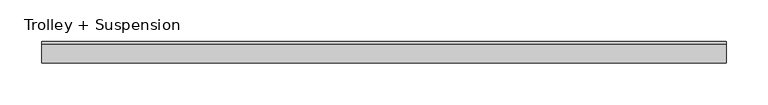
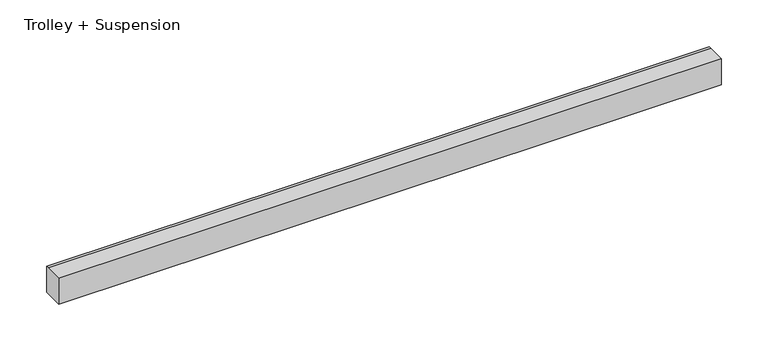
"""IFC4 building model written with IfcOpenShell, lengths in millimetres: proxy geometry, Trolley + Suspension."""

from ifc_helpers import new_model, si_unit, frame, origin, place, context, project, spatial, polyline, outline, extrude, source, transform, mapped, element, save


def trolley_suspension_c2fbe75f(model_context):
    return source(origin(), model_context, "Body", "SweptSolid", [
        extrude(outline(polyline([(-13.0, 34.0), (9.692747, 34.0), (13.0, 34.0), (13.0, 0.0), (-13.0, 0.0), (-13.0, 34.0)])), frame((-35.0, 0.0, 0.0), z_axis=(1.0, 0.0, 0.0), x_axis=(0.0, 1.0, 0.0)), (0.0, 0.0, 1.0), 820.3333333),
    ])


if __name__ == "__main__":
    model = new_model("IFC4")
    model_context = context("Model", 3, world=origin())
    ifc_project = project(units=[si_unit("LENGTHUNIT", "METRE", prefix="MILLI")], contexts=[model_context])
    site = spatial("IfcSite", under=ifc_project)
    building = spatial("IfcBuilding", under=site)
    placement = place(None, origin())
    trolley_suspension_shape = trolley_suspension_c2fbe75f(model_context)
    element("IfcBuildingElementProxy", 1, Name="Trolley + Suspension", ObjectType="Trolley + Suspension", at=placement, inside=building, context=model_context, shape_type="MappedRepresentation", body=[
        mapped(trolley_suspension_shape, transform((0.0, 0.0, 0.0), x_axis=(1.0, 0.0, 0.0), y_axis=(0.0, 1.0, 0.0), z_axis=(0.0, 0.0, 1.0))),
    ])
    save(model, "model.ifc")
